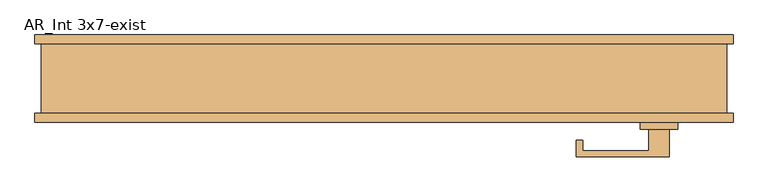
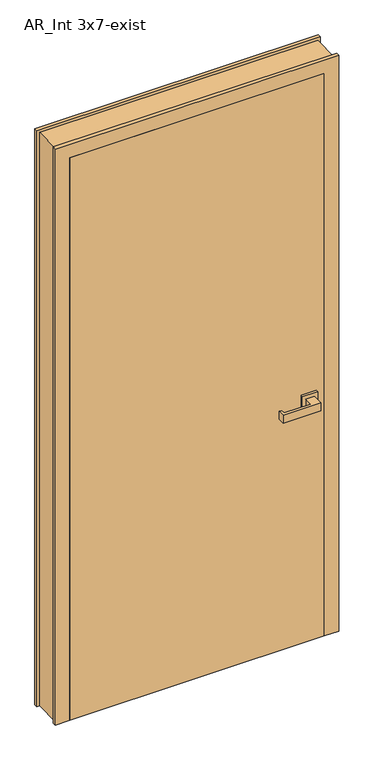
"""IFC4 building model written with IfcOpenShell, lengths in millimetres: door geometry, AR_Int 3x7-exist."""

import ifcopenshell
import ifcopenshell.guid

model = None  # the IFC model being written
_history = None  # IfcOwnerHistory: only IFC2X3 demands one
_inside = {}  # id of a spatial element -> (the spatial element, [elements in it])
_under = {}  # id of a project, library or spatial element -> (it, [spatial elements below it])
_declared = {}  # id of a project -> (the project, [libraries it declares])
_typed = {}  # id of a type object -> (the type object, [elements of that type])
_made_of = {}  # id of a material, layer set ... -> (it, [elements and type objects made of it])


def new_model(schema):
    """Start an empty IFC model of exactly this schema.

    Asked for "IFC4X3", IfcOpenShell would pick the latest addendum, in which some entities
    have other attributes; the version numbers below select the first issue.
    IFC2X3 requires an IfcOwnerHistory on every rooted entity: one is made here for all.
    """
    global model, _history
    if schema == "IFC4X3":
        model = ifcopenshell.file(schema_version=(4, 3, 0, 0))
    else:
        model = ifcopenshell.file(schema=schema)
    _inside.clear()
    _under.clear()
    _declared.clear()
    _typed.clear()
    _made_of.clear()
    _history = None
    if model.schema == "IFC2X3":
        org = make("IfcOrganization", Name="unknown")
        user = make(
            "IfcPersonAndOrganization",
            ThePerson=make("IfcPerson", FamilyName="unknown"),
            TheOrganization=org,
        )
        app = make(
            "IfcApplication",
            ApplicationDeveloper=org,
            Version="unknown",
            ApplicationFullName="unknown",
            ApplicationIdentifier="unknown",
        )
        _history = make(
            "IfcOwnerHistory",
            OwningUser=user,
            OwningApplication=app,
            ChangeAction="ADDED",
            CreationDate=0,
        )
    return model


def make(cls, **values):
    """One entity of the class cls with the attributes given. An attribute that is None is left unset."""
    return model.create_entity(
        cls, **{name: value for name, value in values.items() if value is not None}
    )


def rooted(cls, **values):
    """An entity with a GlobalId (a new one), such as an element, a storey or a relation."""
    return make(cls, GlobalId=ifcopenshell.guid.new(), OwnerHistory=_history, **values)


def si_unit(unit_type, name, prefix=None):
    """IfcSIUnit, for example si_unit("LENGTHUNIT", "METRE", prefix="MILLI")."""
    return make("IfcSIUnit", UnitType=unit_type, Prefix=prefix, Name=name)


def assignment(units):
    """IfcUnitAssignment: the units of a project."""
    return None if units is None else make("IfcUnitAssignment", Units=units)


def point(xyz):
    """IfcCartesianPoint."""
    return None if xyz is None else make("IfcCartesianPoint", Coordinates=xyz)


def direction(xyz):
    """IfcDirection."""
    return None if xyz is None else make("IfcDirection", DirectionRatios=xyz)


def frame(location, z_axis=None, x_axis=None):
    """IfcAxis2Placement3D, a coordinate frame: its origin and axes. An axis left out is left unset."""
    return make(
        "IfcAxis2Placement3D",
        Location=point(location),
        Axis=direction(z_axis),
        RefDirection=direction(x_axis),
    )


def origin():
    """The frame at (0, 0, 0) with its axes left unset."""
    return frame((0.0, 0.0, 0.0))


def origin_with_axes():
    """The frame at (0, 0, 0) with the z axis (0, 0, 1) and the x axis (1, 0, 0) written out."""
    return frame((0.0, 0.0, 0.0), z_axis=(0.0, 0.0, 1.0), x_axis=(1.0, 0.0, 0.0))


def place(relative_to, where):
    """IfcLocalPlacement: puts the frame where relative to a parent placement (None: the world)."""
    return make(
        "IfcLocalPlacement", PlacementRelTo=relative_to, RelativePlacement=where
    )


def context(
    kind, dimensions, precision=None, world=None, true_north=None, identifier=None
):
    """IfcGeometricRepresentationContext, for example the 3D "Model" context."""
    return make(
        "IfcGeometricRepresentationContext",
        ContextIdentifier=identifier,
        ContextType=kind,
        CoordinateSpaceDimension=dimensions,
        Precision=precision,
        WorldCoordinateSystem=world,
        TrueNorth=true_north,
    )


def project(units=None, contexts=None):
    """IfcProject with its units and contexts."""
    return rooted(
        "IfcProject",
        Name="project",
        RepresentationContexts=contexts,
        UnitsInContext=assignment(units),
    )


def spatial(cls, under=None, at=None, **own):
    """A site, building, storey or space (cls), placed at a placement, below another one or the project."""
    s = rooted(cls, ObjectPlacement=at, **own)
    if under is not None:
        _under.setdefault(under.id(), (under, []))[1].append(s)
    return s


def polyline(points):
    """IfcPolyline through the points."""
    return make("IfcPolyline", Points=[point(p) for p in points])


def outline(outer, holes=None, kind="AREA"):
    """IfcArbitraryClosedProfileDef: a profile drawn as a closed curve; with holes, ...WithVoids."""
    if holes is None:
        return make("IfcArbitraryClosedProfileDef", ProfileType=kind, OuterCurve=outer)
    return make(
        "IfcArbitraryProfileDefWithVoids",
        ProfileType=kind,
        OuterCurve=outer,
        InnerCurves=holes,
    )


def extrude(swept, where, along, depth):
    """IfcExtrudedAreaSolid: the profile swept, set in the frame where, extruded along a direction by depth."""
    return make(
        "IfcExtrudedAreaSolid",
        SweptArea=swept,
        Position=where,
        ExtrudedDirection=direction(along),
        Depth=depth,
    )


def faces_of(points, faces, orient=None, outer=None):
    """IfcFace entities. A face is a list of loops; a loop is a list of indices into points, from 0.

    orient and outer hold one flag for each loop. By default every Orientation is true, the
    first loop of a face is its IfcFaceOuterBound and the others are IfcFaceBound.
    """
    made = []
    for i, loops in enumerate(faces):
        bounds = []
        for j, loop in enumerate(loops):
            is_outer = j == 0 if outer is None else outer[i][j]
            bounds.append(
                make(
                    "IfcFaceOuterBound" if is_outer else "IfcFaceBound",
                    Bound=make("IfcPolyLoop", Polygon=[points[k] for k in loop]),
                    Orientation=True if orient is None else orient[i][j],
                )
            )
        made.append(make("IfcFace", Bounds=bounds))
    return made


def faceted_brep(points, faces, orient=None, outer=None, voids=None):
    """IfcFacetedBrep: a solid bounded by flat faces; with voids (closed shells), ...WithVoids."""
    shared = [point(p) for p in points]
    hull = make("IfcClosedShell", CfsFaces=faces_of(shared, faces, orient, outer))
    if voids is None:
        return make("IfcFacetedBrep", Outer=hull)
    return make(
        "IfcFacetedBrepWithVoids",
        Outer=hull,
        Voids=[
            make(cls, CfsFaces=faces_of(shared, fs, o, b)) for cls, fs, o, b in voids
        ],
    )


def shape(context_of_items, identifier, shape_type, items):
    """IfcShapeRepresentation: the items that make up one representation, for example the "Body"."""
    return make(
        "IfcShapeRepresentation",
        ContextOfItems=context_of_items,
        RepresentationIdentifier=identifier,
        RepresentationType=shape_type,
        Items=items,
    )


def source(mapping_origin, context_of_items, identifier, shape_type, items):
    """IfcRepresentationMap: a shape defined once, which mapped items show again and again."""
    return make(
        "IfcRepresentationMap",
        MappingOrigin=mapping_origin,
        MappedRepresentation=shape(context_of_items, identifier, shape_type, items),
    )


def transform(
    local_origin,
    x_axis=None,
    y_axis=None,
    z_axis=None,
    scale=None,
    scale2=None,
    scale3=None,
    uniform=True,
):
    """IfcCartesianTransformationOperator3D, or its non-uniform kind. x_axis, y_axis, z_axis: its Axis1, 2, 3."""
    if uniform:
        return make(
            "IfcCartesianTransformationOperator3D",
            Axis1=direction(x_axis),
            Axis2=direction(y_axis),
            LocalOrigin=point(local_origin),
            Scale=scale,
            Axis3=direction(z_axis),
        )
    return make(
        "IfcCartesianTransformationOperator3DnonUniform",
        Axis1=direction(x_axis),
        Axis2=direction(y_axis),
        LocalOrigin=point(local_origin),
        Scale=scale,
        Axis3=direction(z_axis),
        Scale2=scale2,
        Scale3=scale3,
    )


def mapped(mapping_source, mapping_target):
    """IfcMappedItem: shows the shape of a source again, moved by a transform."""
    return make(
        "IfcMappedItem", MappingSource=mapping_source, MappingTarget=mapping_target
    )


def made_of(thing, what):
    """Note that an element or type object is made of a material, layer set ...; save() writes the relation."""
    if what is not None:
        _made_of.setdefault(what.id(), (what, []))[1].append(thing)
    return thing


def element(
    cls,
    number,
    at=None,
    inside=None,
    cuts=None,
    type_object=None,
    material=None,
    context=None,
    identifier="Body",
    shape_type=None,
    held_by="IfcProductDefinitionShape",
    body=None,
    shapes=None,
    **own,
):
    """One element of the class cls, such as IfcWall. Its Tag is "e" and its number.

    at: its placement. inside: the storey or other place that contains it. cuts: it is an
    opening in that element (IfcRelVoidsElement). A single representation is given by context,
    identifier, shape_type and body (its items); several are given by shapes. held_by: the class
    of the entity that holds the representations. save() writes the other relations.
    """
    e = rooted(cls, Tag="e%d" % number, ObjectPlacement=at, **own)
    if body is not None:
        shapes = [shape(context, identifier, shape_type, body)]
    if shapes is not None:
        e.Representation = make(held_by, Representations=shapes)
    if inside is not None:
        _inside.setdefault(inside.id(), (inside, []))[1].append(e)
    if cuts is not None:
        rooted(
            "IfcRelVoidsElement", RelatingBuildingElement=cuts, RelatedOpeningElement=e
        )
    if type_object is not None:
        _typed.setdefault(type_object.id(), (type_object, []))[1].append(e)
    return made_of(e, material)


def aggregate(whole, parts):
    """IfcRelAggregates: a whole, such as a stair, and the parts it consists of."""
    return rooted("IfcRelAggregates", RelatingObject=whole, RelatedObjects=parts)


def save(model, path):
    """Write the relations noted so far, then the file.

    IfcRelAggregates (storeys below a building ...), IfcRelContainedInSpatialStructure (elements
    in a storey), IfcRelDefinesByType, IfcRelAssociatesMaterial and IfcRelDeclares: one each for
    every whole, place, type object, material and project.
    """
    for whole, parts in _under.values():
        aggregate(whole, parts)
    for where, things in _inside.values():
        rooted(
            "IfcRelContainedInSpatialStructure",
            RelatedElements=things,
            RelatingStructure=where,
        )
    for kind, things in _typed.values():
        rooted("IfcRelDefinesByType", RelatedObjects=things, RelatingType=kind)
    for what, things in _made_of.values():
        rooted("IfcRelAssociatesMaterial", RelatedObjects=things, RelatingMaterial=what)
    for by, libraries in _declared.values():
        rooted("IfcRelDeclares", RelatingContext=by, RelatedDefinitions=libraries)
    model.write(path)


def ar_int_3x7_exist_ce2d5e57(model_context):
    return source(origin(), model_context, "Body", "SolidModel", [
        faceted_brep([(-406.5493445, -65.7545325, 0.0), (-406.5493445, -53.0545325, 0.0), (-397.0243445, -53.0545325, 0.0), (-397.0243445, 48.5454675, 0.0), (-406.5493445, 48.5454675, 0.0), (-406.5493445, 61.2454675, 0.0), (-355.7493445, 61.2454675, 0.0), (-355.7493445, 29.4954675, 0.0), (-343.0493445, 29.4954675, 0.0), (-343.0493445, -21.3045325, 0.0), (-355.7493445, -21.3045325, 0.0), (-355.7493445, -65.7545325, 0.0), (-355.7493445, -21.3045325, 2133.6), (-355.7493445, -65.7545325, 2133.6), (-343.0493445, 29.4954675, 2120.9), (-343.0493445, -21.3045325, 2120.9), (-355.7493445, 61.2454675, 2133.6), (-355.7493445, 29.4954675, 2133.6), (609.4506555, 61.2454675, 2184.4), (609.4506555, 48.5454675, 2184.4), (609.4506555, 48.5454675, 0.0), (609.4506555, 61.2454675, 0.0), (609.4506555, -65.7545325, 0.0), (609.4506555, -53.0545325, 0.0), (609.4506555, -53.0545325, 2184.4), (609.4506555, -65.7545325, 2184.4), (-406.5493445, 61.2454675, 2184.4), (558.6506555, 61.2454675, 0.0), (558.6506555, 61.2454675, 2133.6), (599.9256555, 48.5454675, 0.0), (599.9256555, -53.0545325, 0.0), (558.6506555, -65.7545325, 0.0), (558.6506555, -21.3045325, 0.0), (545.9506555, -21.3045325, 0.0), (545.9506555, 29.4954675, 0.0), (558.6506555, 29.4954675, 0.0), (558.6506555, -65.7545325, 2133.6), (-406.5493445, -65.7545325, 2184.4), (-406.5493445, 48.5454675, 2184.4), (-406.5493445, -53.0545325, 2184.4), (558.6506555, 29.4954675, 2133.6), (545.9506555, 29.4954675, 2120.9), (545.9506555, -21.3045325, 2120.9), (558.6506555, -21.3045325, 2133.6), (599.9256555, -53.0545325, 2174.875), (-397.0243445, -53.0545325, 2174.875), (-397.0243445, 48.5454675, 2174.875), (599.9256555, 48.5454675, 2174.875)], [[[0, 1, 2, 3, 4, 5, 6, 7, 8, 9, 10, 11]], [[10, 12, 13, 11]], [[8, 14, 15, 9]], [[6, 16, 17, 7]], [[18, 19, 20, 21]], [[22, 23, 24, 25]], [[5, 26, 18, 21, 27, 28, 16, 6]], [[21, 20, 29, 30, 23, 22, 31, 32, 33, 34, 35, 27]], [[11, 13, 36, 31, 22, 25, 37, 0]], [[5, 4, 38, 26]], [[37, 39, 1, 0]], [[35, 40, 28, 27]], [[7, 17, 40, 35, 34, 41, 14, 8]], [[33, 42, 41, 34]], [[9, 15, 42, 33, 32, 43, 12, 10]], [[31, 36, 43, 32]], [[25, 24, 39, 37]], [[26, 38, 19, 18]], [[16, 28, 40, 17]], [[14, 41, 42, 15]], [[12, 43, 36, 13]], [[44, 45, 2, 1, 39, 24, 23, 30]], [[29, 20, 19, 38, 4, 3, 46, 47]], [[45, 46, 3, 2]], [[30, 29, 47, 44]], [[47, 46, 45, 44]]]),
        extrude(outline(polyline([(516.5006555, 28.6954675), (516.5006555, -11.3045325), (486.5006555, -11.3045325), (486.5006555, 19.6954675), (390.5006555, 19.6954675), (390.5006555, 4.6954675), (381.5006555, 4.6954675), (381.5006555, 28.6954675), (516.5006555, 28.6954675)])), frame((0.0, 0.0, 899.4), z_axis=(0.0, 0.0, 1.0), x_axis=(1.0, 0.0, 0.0)), (0.0, 0.0, 1.0), 30.0),
        extrude(outline(polyline([(474.0006555, -11.3045325), (529.0006555, -11.3045325), (529.0006555, -21.3045325), (474.0006555, -21.3045325), (474.0006555, -11.3045325)])), frame((0.0, 0.0, 886.9), z_axis=(0.0, 0.0, 1.0), x_axis=(1.0, 0.0, 0.0)), (0.0, 0.0, 1.0), 55.0),
        extrude(outline(polyline([(516.5006555, -115.7545325), (381.5006555, -115.7545325), (381.5006555, -91.7545325), (390.5006555, -91.7545325), (390.5006555, -106.7545325), (486.5006555, -106.7545325), (486.5006555, -75.7545325), (516.5006555, -75.7545325), (516.5006555, -115.7545325)])), frame((0.0, 0.0, 899.4), z_axis=(0.0, 0.0, 1.0), x_axis=(1.0, 0.0, 0.0)), (0.0, 0.0, 1.0), 30.0),
        extrude(outline(polyline([(474.0006555, -75.7545325), (474.0006555, -65.7545325), (529.0006555, -65.7545325), (529.0006555, -75.7545325), (474.0006555, -75.7545325)])), frame((0.0, 0.0, 886.9), z_axis=(0.0, 0.0, 1.0), x_axis=(1.0, 0.0, 0.0)), (0.0, 0.0, 1.0), 55.0),
        extrude(outline(polyline([(-355.7493445, -65.7545325), (-355.7493445, -21.3045325), (558.6506555, -21.3045325), (558.6506555, -65.7545325), (-355.7493445, -65.7545325)])), origin_with_axes(), (0.0, 0.0, 1.0), 2133.6),
    ])


if __name__ == "__main__":
    model = new_model("IFC4")
    model_context = context("Model", 3, world=origin())
    ifc_project = project(units=[si_unit("LENGTHUNIT", "METRE", prefix="MILLI")], contexts=[model_context])
    site = spatial("IfcSite", under=ifc_project)
    building = spatial("IfcBuilding", under=site)
    placement = place(None, origin())
    ar_int_3x7_exist_shape = ar_int_3x7_exist_ce2d5e57(model_context)
    element("IfcDoor", 1, ObjectType="AR_Int 3x7-exist", at=placement, inside=building, context=model_context, shape_type="MappedRepresentation", body=[
        mapped(ar_int_3x7_exist_shape, transform((0.0, 0.0, 0.0), x_axis=(1.0, 0.0, 0.0), y_axis=(0.0, 1.0, 0.0), z_axis=(0.0, 0.0, 1.0))),
    ])
    save(model, "model.ifc")
